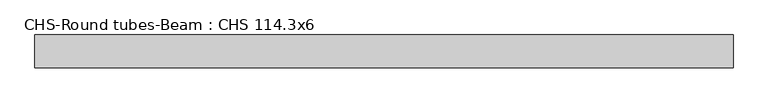
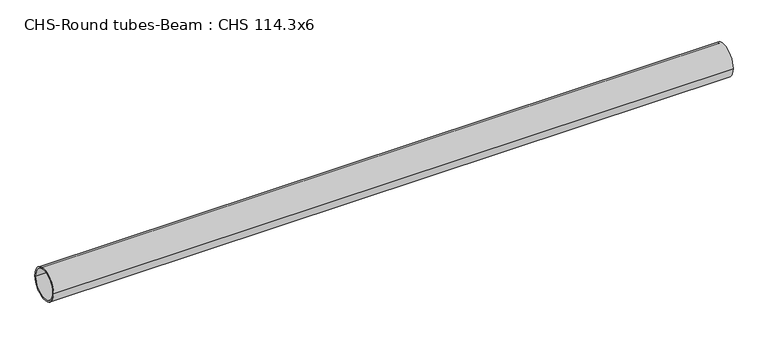
"""IFC4 building model written with IfcOpenShell, lengths in millimetres: beam geometry, CHS-Round tubes-Beam : CHS 114.3x6."""

from ifc_helpers import new_model, si_unit, point, frame, origin, origin_2d, place, context, project, spatial, circle_curve, trimmed, segment, composite_curve, outline, extrude, source, transform, mapped, element, save


def chs_round_tubes_beam_chs_114_3x6_da48cd52(model_context):
    return source(origin(), model_context, "Body", "SweptSolid", [
        extrude(outline(composite_curve([segment(trimmed(circle_curve(origin_2d(), 57.15), [point((57.15, 0.0))], [point((-57.15, 0.0))], False, "CARTESIAN"), True, "CONTINUOUS"), segment(trimmed(circle_curve(origin_2d(), 57.15), [point((-57.15, 0.0))], [point((57.15, 0.0))], False, "CARTESIAN"), True, "CONTINUOUS")], self_intersect=False), holes=[composite_curve([segment(trimmed(circle_curve(origin_2d(), 51.15), [point((51.15, 0.0))], [point((-51.15, 0.0))], True, "CARTESIAN"), True, "CONTINUOUS"), segment(trimmed(circle_curve(origin_2d(), 51.15), [point((-51.15, 0.0))], [point((51.15, 0.0))], True, "CARTESIAN"), True, "CONTINUOUS")], self_intersect=False)]), frame((-1053.989721, 0.0, 0.0), z_axis=(1.0, 0.0, 0.0), x_axis=(0.0, 1.0, 0.0)), (0.0, 0.0, 1.0), 2418.1517429),
    ])


if __name__ == "__main__":
    model = new_model("IFC4")
    model_context = context("Model", 3, world=origin())
    ifc_project = project(units=[si_unit("LENGTHUNIT", "METRE", prefix="MILLI")], contexts=[model_context])
    site = spatial("IfcSite", under=ifc_project)
    building = spatial("IfcBuilding", under=site)
    placement = place(None, origin())
    chs_round_tubes_beam_chs_114_3x6_shape = chs_round_tubes_beam_chs_114_3x6_da48cd52(model_context)
    element("IfcBeam", 1, ObjectType="CHS-Round tubes-Beam : CHS 114.3x6", at=placement, inside=building, context=model_context, shape_type="MappedRepresentation", body=[
        mapped(chs_round_tubes_beam_chs_114_3x6_shape, transform((0.0, 0.0, 0.0), x_axis=(1.0, 0.0, 0.0), y_axis=(0.0, 1.0, 0.0), z_axis=(0.0, 0.0, 1.0))),
    ])
    save(model, "model.ifc")
